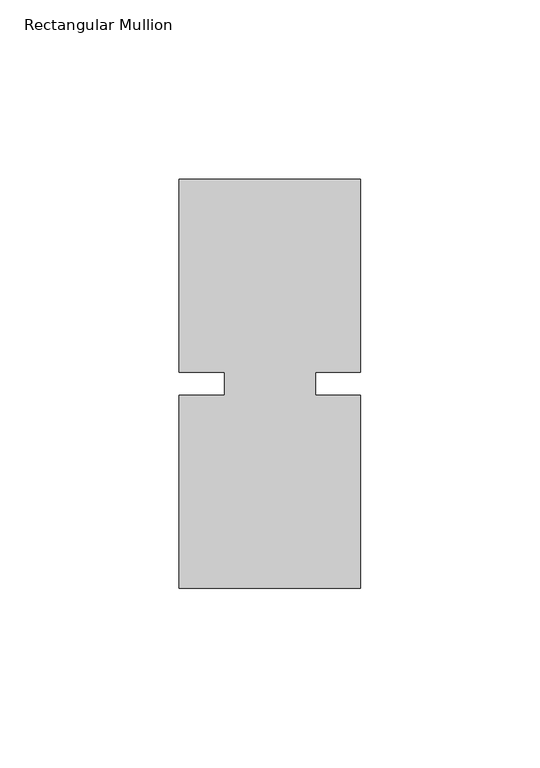
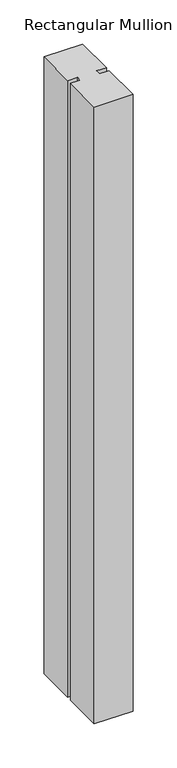
"""IFC4 building model written with IfcOpenShell, lengths in millimetres: member geometry, Rectangular Mullion."""

from ifc_helpers import new_model, si_unit, frame, origin, place, context, project, spatial, polyline, outline, extrude, source, transform, mapped, element, save


def rectangular_mullion_e5920c61(model_context):
    return source(origin(), model_context, "Body", "SweptSolid", [
        extrude(outline(polyline([(29.7344027, 57.15), (29.7344027, 3.175), (17.0326322, 3.175), (17.0326322, -3.175), (29.7344027, -3.175), (29.7344027, -57.15), (-21.0655973, -57.15), (-21.0655973, -3.175), (-8.3655973, -3.175), (-8.3655973, 3.175), (-21.0655973, 3.175), (-21.0655973, 57.15), (29.7344027, 57.15)])), frame((0.0, 0.0, -854.075), z_axis=(0.0, 0.0, 1.0), x_axis=(1.0, 0.0, 0.0)), (0.0, 0.0, 1.0), 854.075),
    ])


if __name__ == "__main__":
    model = new_model("IFC4")
    model_context = context("Model", 3, world=origin())
    ifc_project = project(units=[si_unit("LENGTHUNIT", "METRE", prefix="MILLI")], contexts=[model_context])
    site = spatial("IfcSite", under=ifc_project)
    building = spatial("IfcBuilding", under=site)
    placement = place(None, origin())
    rectangular_mullion_shape = rectangular_mullion_e5920c61(model_context)
    element("IfcMember", 1, ObjectType="Rectangular Mullion", at=placement, inside=building, context=model_context, shape_type="MappedRepresentation", body=[
        mapped(rectangular_mullion_shape, transform((0.0, 0.0, 0.0), x_axis=(1.0, 0.0, 0.0), y_axis=(0.0, 1.0, 0.0), z_axis=(0.0, 0.0, 1.0))),
    ])
    save(model, "model.ifc")
